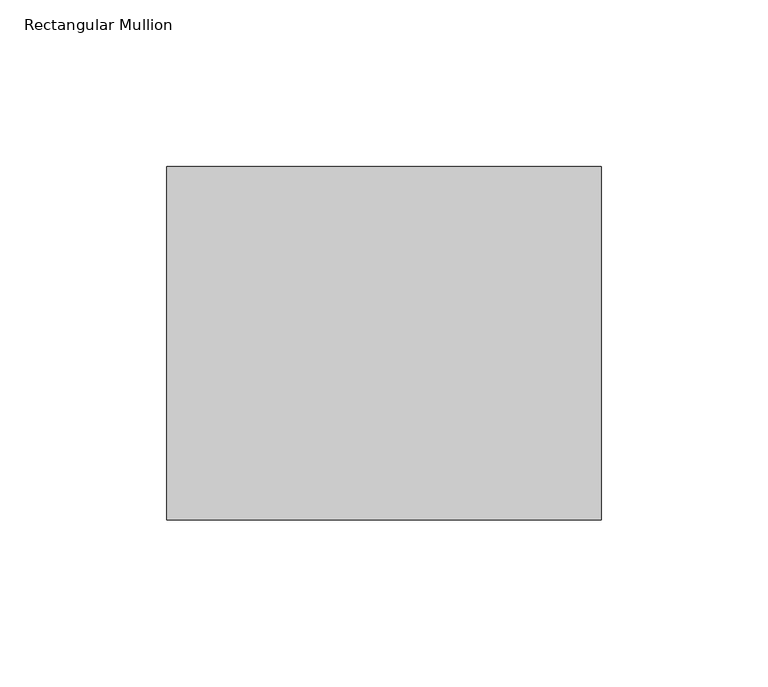
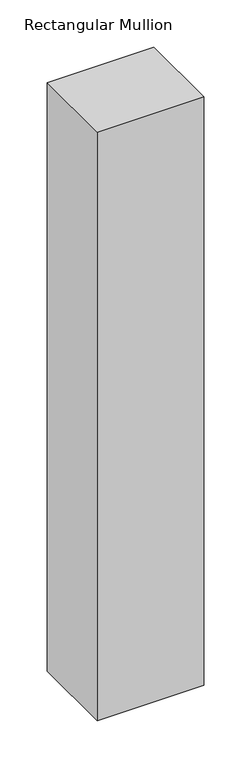
"""IFC4 building model written with IfcOpenShell, lengths in millimetres: member geometry, Rectangular Mullion."""

from ifc_helpers import new_model, si_unit, frame, origin, place, context, project, spatial, polyline, outline, extrude, source, transform, mapped, element, save


def rectangular_mullion_770c72e9(model_context):
    return source(origin(), model_context, "Body", "SweptSolid", [
        extrude(outline(polyline([(0.0, 52.8779994), (0.0, -52.8779994), (-130.0, -52.8779994), (-130.0, 52.8779994), (0.0, 52.8779994)])), frame((0.0, 0.0, -760.0), z_axis=(0.0, 0.0, 1.0), x_axis=(1.0, 0.0, 0.0)), (0.0, 0.0, 1.0), 760.0),
    ])


if __name__ == "__main__":
    model = new_model("IFC4")
    model_context = context("Model", 3, world=origin())
    ifc_project = project(units=[si_unit("LENGTHUNIT", "METRE", prefix="MILLI")], contexts=[model_context])
    site = spatial("IfcSite", under=ifc_project)
    building = spatial("IfcBuilding", under=site)
    placement = place(None, origin())
    rectangular_mullion_shape = rectangular_mullion_770c72e9(model_context)
    element("IfcMember", 1, ObjectType="Rectangular Mullion", at=placement, inside=building, context=model_context, shape_type="MappedRepresentation", body=[
        mapped(rectangular_mullion_shape, transform((0.0, 0.0, 0.0), x_axis=(1.0, 0.0, 0.0), y_axis=(0.0, 1.0, 0.0), z_axis=(0.0, 0.0, 1.0))),
    ])
    save(model, "model.ifc")
